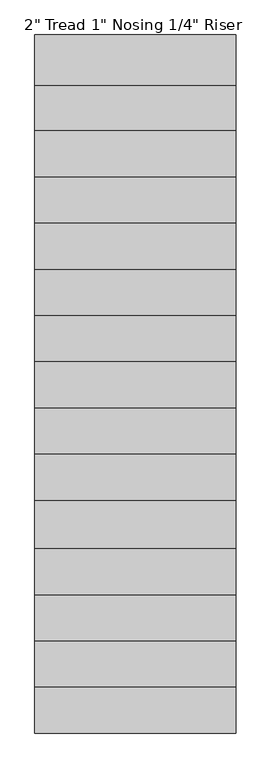
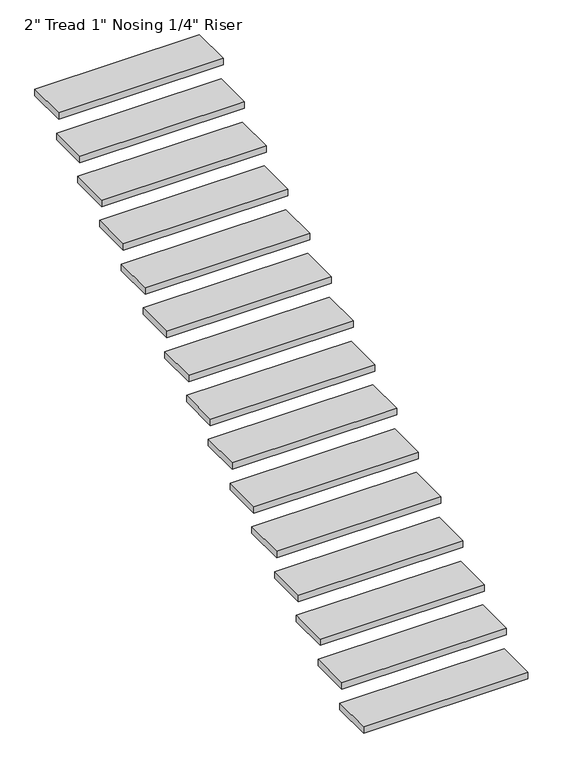
"""IFC4 building model written with IfcOpenShell, lengths in millimetres: stair flight geometry."""

from ifc_helpers import new_model, si_unit, frame, origin, place, context, project, spatial, polyline, outline, extrude, source, transform, mapped, element, save


def stair_flight_29cde864(model_context):
    return source(origin(), model_context, "Body", "SweptSolid", [
        extrude(outline(polyline([(-11921.3997157, -1610.9048905), (-10702.1997157, -1610.9048905), (-10702.1997157, -1915.7048905), (-11921.3997157, -1915.7048905), (-11921.3997157, -1610.9048905)])), frame((0.0, 0.0, -11154.362963), z_axis=(0.0, 0.0, 1.0), x_axis=(1.0, 0.0, 0.0)), (0.0, 0.0, 1.0), 50.8),
        extrude(outline(polyline([(-11921.3997157, -1331.5048905), (-10702.1997157, -1331.5048905), (-10702.1997157, -1636.3048905), (-11921.3997157, -1636.3048905), (-11921.3997157, -1331.5048905)])), frame((0.0, 0.0, -10980.3259259), z_axis=(0.0, 0.0, 1.0), x_axis=(1.0, 0.0, 0.0)), (0.0, 0.0, 1.0), 50.8),
        extrude(outline(polyline([(-11921.3997157, -1052.1048905), (-10702.1997157, -1052.1048905), (-10702.1997157, -1356.9048905), (-11921.3997157, -1356.9048905), (-11921.3997157, -1052.1048905)])), frame((0.0, 0.0, -10806.2888889), z_axis=(0.0, 0.0, 1.0), x_axis=(1.0, 0.0, 0.0)), (0.0, 0.0, 1.0), 50.8),
        extrude(outline(polyline([(-11921.3997157, -772.7048905), (-10702.1997157, -772.7048905), (-10702.1997157, -1077.5048905), (-11921.3997157, -1077.5048905), (-11921.3997157, -772.7048905)])), frame((0.0, 0.0, -10632.2518519), z_axis=(0.0, 0.0, 1.0), x_axis=(1.0, 0.0, 0.0)), (0.0, 0.0, 1.0), 50.8),
        extrude(outline(polyline([(-11921.3997157, 2027.6451095), (-10702.1997157, 2027.6451095), (-10702.1997157, 1729.1951095), (-11921.3997157, 1729.1951095), (-11921.3997157, 2027.6451095)])), frame((0.0, 0.0, -8891.8814815), z_axis=(0.0, 0.0, 1.0), x_axis=(1.0, 0.0, 0.0)), (0.0, 0.0, 1.0), 50.8),
        extrude(outline(polyline([(-11921.3997157, 2307.0451095), (-10702.1997157, 2307.0451095), (-10702.1997157, 2002.2451095), (-11921.3997157, 2002.2451095), (-11921.3997157, 2307.0451095)])), frame((0.0, 0.0, -8717.8444444), z_axis=(0.0, 0.0, 1.0), x_axis=(1.0, 0.0, 0.0)), (0.0, 0.0, 1.0), 50.8),
        extrude(outline(polyline([(-11921.3997157, -201.2048905), (-10702.1997157, -201.2048905), (-10702.1997157, -506.0048905), (-11921.3997157, -506.0048905), (-11921.3997157, -201.2048905)])), frame((0.0, 0.0, -10284.1777778), z_axis=(0.0, 0.0, 1.0), x_axis=(1.0, 0.0, 0.0)), (0.0, 0.0, 1.0), 50.8),
        extrude(outline(polyline([(-11921.3997157, -480.6048905), (-10702.1997157, -480.6048905), (-10702.1997157, -798.1048905), (-11921.3997157, -798.1048905), (-11921.3997157, -480.6048905)])), frame((0.0, 0.0, -10458.2148148), z_axis=(0.0, 0.0, 1.0), x_axis=(1.0, 0.0, 0.0)), (0.0, 0.0, 1.0), 50.8),
        extrude(outline(polyline([(-11921.3997157, 78.1951095), (-10702.1997157, 78.1951095), (-10702.1997157, -226.6048905), (-11921.3997157, -226.6048905), (-11921.3997157, 78.1951095)])), frame((0.0, 0.0, -10110.1407407), z_axis=(0.0, 0.0, 1.0), x_axis=(1.0, 0.0, 0.0)), (0.0, 0.0, 1.0), 50.8),
        extrude(outline(polyline([(-11921.3997157, 357.5951095), (-10702.1997157, 357.5951095), (-10702.1997157, 52.7951095), (-11921.3997157, 52.7951095), (-11921.3997157, 357.5951095)])), frame((0.0, 0.0, -9936.1037037), z_axis=(0.0, 0.0, 1.0), x_axis=(1.0, 0.0, 0.0)), (0.0, 0.0, 1.0), 50.8),
        extrude(outline(polyline([(-11921.3997157, 636.9951095), (-10702.1997157, 636.9951095), (-10702.1997157, 332.1951095), (-11921.3997157, 332.1951095), (-11921.3997157, 636.9951095)])), frame((0.0, 0.0, -9762.0666667), z_axis=(0.0, 0.0, 1.0), x_axis=(1.0, 0.0, 0.0)), (0.0, 0.0, 1.0), 50.8),
        extrude(outline(polyline([(-11921.3997157, 916.3951095), (-10702.1997157, 916.3951095), (-10702.1997157, 611.5951095), (-11921.3997157, 611.5951095), (-11921.3997157, 916.3951095)])), frame((0.0, 0.0, -9588.0296296), z_axis=(0.0, 0.0, 1.0), x_axis=(1.0, 0.0, 0.0)), (0.0, 0.0, 1.0), 50.8),
        extrude(outline(polyline([(-11921.3997157, 1195.7951095), (-10702.1997157, 1195.7951095), (-10702.1997157, 890.9951095), (-11921.3997157, 890.9951095), (-11921.3997157, 1195.7951095)])), frame((0.0, 0.0, -9413.9925926), z_axis=(0.0, 0.0, 1.0), x_axis=(1.0, 0.0, 0.0)), (0.0, 0.0, 1.0), 50.8),
        extrude(outline(polyline([(-11921.3997157, 1475.1951095), (-10702.1997157, 1475.1951095), (-10702.1997157, 1170.3951095), (-11921.3997157, 1170.3951095), (-11921.3997157, 1475.1951095)])), frame((0.0, 0.0, -9239.9555556), z_axis=(0.0, 0.0, 1.0), x_axis=(1.0, 0.0, 0.0)), (0.0, 0.0, 1.0), 50.8),
        extrude(outline(polyline([(-11921.3997157, 1754.5951095), (-10702.1997157, 1754.5951095), (-10702.1997157, 1449.7951095), (-11921.3997157, 1449.7951095), (-11921.3997157, 1754.5951095)])), frame((0.0, 0.0, -9065.9185185), z_axis=(0.0, 0.0, 1.0), x_axis=(1.0, 0.0, 0.0)), (0.0, 0.0, 1.0), 50.8),
    ])


if __name__ == "__main__":
    model = new_model("IFC4")
    model_context = context("Model", 3, world=origin())
    ifc_project = project(units=[si_unit("LENGTHUNIT", "METRE", prefix="MILLI")], contexts=[model_context])
    site = spatial("IfcSite", under=ifc_project)
    building = spatial("IfcBuilding", under=site)
    placement = place(None, origin())
    stair_flight_shape = stair_flight_29cde864(model_context)
    element("IfcStairFlight", 1, ObjectType="2\" Tread 1\" Nosing 1/4\" Riser", at=placement, inside=building, context=model_context, shape_type="MappedRepresentation", body=[
        mapped(stair_flight_shape, transform((0.0, 0.0, 0.0), x_axis=(1.0, 0.0, 0.0), y_axis=(0.0, 1.0, 0.0), z_axis=(0.0, 0.0, 1.0))),
    ])
    save(model, "model.ifc")
